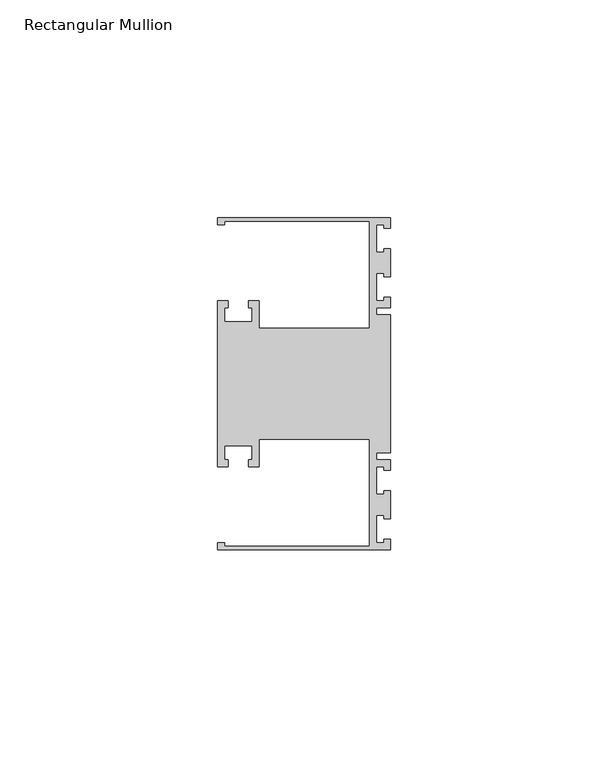
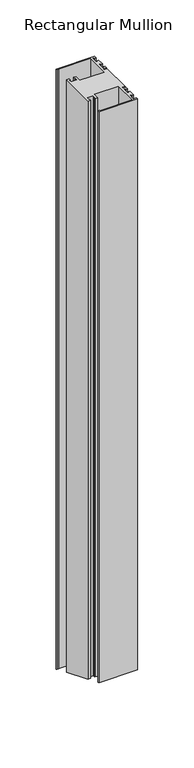
"""IFC4 building model written with IfcOpenShell, lengths in millimetres: member geometry, Rectangular Mullion."""

from ifc_helpers import new_model, si_unit, origin, place, context, project, spatial, faceted_brep, source, transform, mapped, element, save


def rectangular_mullion_c61b5c0a(model_context):
    return source(origin(), model_context, "Body", "Brep", [
        faceted_brep([(0.0, -38.1, 0.0), (0.0, -35.71875, 0.0), (-1.4999946, -35.71875, 0.0), (-1.4999946, -36.5125, 0.0), (-3.175, -36.5125, 0.0), (-3.175, -30.1625, 0.0), (-1.4999946, -30.1625, 0.0), (-1.4999946, -30.95625, 0.0), (0.0, -30.95625, 0.0), (0.0, -24.60625, 0.0), (-1.4999946, -24.60625, 0.0), (-1.4999946, -25.4, 0.0), (-3.175, -25.4, 0.0), (-3.175, -19.05, 0.0), (-1.4999946, -19.05, 0.0), (-1.4999946, -19.84375, 0.0), (0.0, -19.84375, 0.0), (0.0, -17.4625, 0.0), (-3.175, -17.4625, 0.0), (-3.175, -15.875, 0.0), (0.0, -15.875, 0.0), (0.0, 15.875, 0.0), (-3.175, 15.875, 0.0), (-3.175, 17.4625, 0.0), (0.0, 17.4625, 0.0), (0.0, 19.84375, 0.0), (-1.4999946, 19.84375, 0.0), (-1.4999946, 19.05, 0.0), (-3.175, 19.05, 0.0), (-3.175, 25.4, 0.0), (-1.4999946, 25.4, 0.0), (-1.4999946, 24.60625, 0.0), (0.0, 24.60625, 0.0), (0.0, 30.95625, 0.0), (-1.4999946, 30.95625, 0.0), (-1.4999946, 30.1625, 0.0), (-3.175, 30.1625, 0.0), (-3.175, 36.5125, 0.0), (-1.4999946, 36.5125, 0.0), (-1.4999946, 35.71875, 0.0), (0.0, 35.71875, 0.0), (0.0, 38.1, 0.0), (-39.6875, 38.1, 0.0), (-39.6875, 36.5125, 0.0), (-38.1, 36.5125, 0.0), (-38.1, 37.30625, 0.0), (-4.7625, 37.30625, 0.0), (-4.7625, 12.7, 0.0), (-30.1625, 12.7, 0.0), (-30.1625, 19.05, 0.0), (-32.54375, 19.05, 0.0), (-32.54375, 17.4625, 0.0), (-31.75, 17.4625, 0.0), (-31.75, 14.2875, 0.0), (-38.1, 14.2875, 0.0), (-38.1, 17.4625, 0.0), (-37.30625, 17.4625, 0.0), (-37.30625, 19.05, 0.0), (-39.6875, 19.05, 0.0), (-39.6875, -19.05, 0.0), (-37.30625, -19.05, 0.0), (-37.30625, -17.4625, 0.0), (-38.1, -17.4625, 0.0), (-38.1, -14.2875, 0.0), (-31.75, -14.2875, 0.0), (-31.75, -17.4625, 0.0), (-32.54375, -17.4625, 0.0), (-32.54375, -19.05, 0.0), (-30.1625, -19.05, 0.0), (-30.1625, -12.7, 0.0), (-4.7625, -12.7, 0.0), (-4.7625, -37.30625, 0.0), (-38.1, -37.30625, 0.0), (-38.1, -36.5125, 0.0), (-39.6875, -36.5125, 0.0), (-39.6875, -38.1, 0.0), (0.0, -38.1, -619.2184633), (0.0, -35.71875, -620.2048093), (-1.4999946, -35.71875, -620.2048093), (-1.4999946, -36.5125, -619.8760273), (-3.175, -36.5125, -619.8760273), (-3.175, -30.1625, -622.5062834), (-1.4999946, -30.1625, -622.5062834), (-1.4999946, -30.95625, -622.1775014), (0.0, -30.95625, -622.1775014), (0.0, -24.60625, -624.8077575), (-1.4999946, -24.60625, -624.8077575), (-1.4999946, -25.4, -624.4789755), (-3.175, -25.4, -624.4789755), (-3.175, -19.05, -627.1092316), (-1.4999946, -19.05, -627.1092316), (-1.4999946, -19.84375, -626.7804496), (0.0, -19.84375, -626.7804496), (0.0, -17.4625, -627.7667957), (-3.175, -17.4625, -627.7667957), (-3.175, -15.875, -628.4243597), (0.0, -15.875, -628.4243597), (0.0, 15.875, -641.5756403), (-3.175, 15.875, -641.5756403), (-3.175, 17.4625, -642.2332043), (0.0, 17.4625, -642.2332043), (0.0, 19.84375, -643.2195504), (-1.4999946, 19.84375, -643.2195504), (-1.4999946, 19.05, -642.8907684), (-3.175, 19.05, -642.8907684), (-3.175, 25.4, -645.5210245), (-1.4999946, 25.4, -645.5210245), (-1.4999946, 24.60625, -645.1922425), (0.0, 24.60625, -645.1922425), (0.0, 30.95625, -647.8224986), (-1.4999946, 30.95625, -647.8224986), (-1.4999946, 30.1625, -647.4937166), (-3.175, 30.1625, -647.4937166), (-3.175, 36.5125, -650.1239727), (-1.4999946, 36.5125, -650.1239727), (-1.4999946, 35.71875, -649.7951907), (0.0, 35.71875, -649.7951907), (0.0, 38.1, -650.7815367), (-39.6875, 38.1, -650.7815367), (-39.6875, 36.5125, -650.1239727), (-38.1, 36.5125, -650.1239727), (-38.1, 37.30625, -650.4527547), (-4.7625, 37.30625, -650.4527547), (-4.7625, 12.7, -640.2605122), (-30.1625, 12.7, -640.2605122), (-30.1625, 19.05, -642.8907684), (-32.54375, 19.05, -642.8907684), (-32.54375, 17.4625, -642.2332043), (-31.75, 17.4625, -642.2332043), (-31.75, 14.2875, -640.9180763), (-38.1, 14.2875, -640.9180763), (-38.1, 17.4625, -642.2332043), (-37.30625, 17.4625, -642.2332043), (-37.30625, 19.05, -642.8907684), (-39.6875, 19.05, -642.8907684), (-39.6875, -19.05, -627.1092316), (-37.30625, -19.05, -627.1092316), (-37.30625, -17.4625, -627.7667957), (-38.1, -17.4625, -627.7667957), (-38.1, -14.2875, -629.0819237), (-31.75, -14.2875, -629.0819237), (-31.75, -17.4625, -627.7667957), (-32.54375, -17.4625, -627.7667957), (-32.54375, -19.05, -627.1092316), (-30.1625, -19.05, -627.1092316), (-30.1625, -12.7, -629.7394878), (-4.7625, -12.7, -629.7394878), (-4.7625, -37.30625, -619.5472453), (-38.1, -37.30625, -619.5472453), (-38.1, -36.5125, -619.8760273), (-39.6875, -36.5125, -619.8760273), (-39.6875, -38.1, -619.2184633)], [[[0, 1, 2, 3, 4, 5, 6, 7, 8, 9, 10, 11, 12, 13, 14, 15, 16, 17, 18, 19, 20, 21, 22, 23, 24, 25, 26, 27, 28, 29, 30, 31, 32, 33, 34, 35, 36, 37, 38, 39, 40, 41, 42, 43, 44, 45, 46, 47, 48, 49, 50, 51, 52, 53, 54, 55, 56, 57, 58, 59, 60, 61, 62, 63, 64, 65, 66, 67, 68, 69, 70, 71, 72, 73, 74, 75]], [[1, 0, 76, 77]], [[2, 1, 77, 78]], [[3, 2, 78, 79]], [[4, 3, 79, 80]], [[5, 4, 80, 81]], [[6, 5, 81, 82]], [[7, 6, 82, 83]], [[8, 7, 83, 84]], [[9, 8, 84, 85]], [[10, 9, 85, 86]], [[11, 10, 86, 87]], [[12, 11, 87, 88]], [[13, 12, 88, 89]], [[14, 13, 89, 90]], [[15, 14, 90, 91]], [[16, 15, 91, 92]], [[17, 16, 92, 93]], [[18, 17, 93, 94]], [[19, 18, 94, 95]], [[20, 19, 95, 96]], [[21, 20, 96, 97]], [[22, 21, 97, 98]], [[23, 22, 98, 99]], [[24, 23, 99, 100]], [[25, 24, 100, 101]], [[26, 25, 101, 102]], [[27, 26, 102, 103]], [[28, 27, 103, 104]], [[29, 28, 104, 105]], [[30, 29, 105, 106]], [[31, 30, 106, 107]], [[32, 31, 107, 108]], [[33, 32, 108, 109]], [[34, 33, 109, 110]], [[35, 34, 110, 111]], [[36, 35, 111, 112]], [[37, 36, 112, 113]], [[38, 37, 113, 114]], [[39, 38, 114, 115]], [[40, 39, 115, 116]], [[41, 40, 116, 117]], [[42, 41, 117, 118]], [[43, 42, 118, 119]], [[44, 43, 119, 120]], [[45, 44, 120, 121]], [[46, 45, 121, 122]], [[47, 46, 122, 123]], [[48, 47, 123, 124]], [[49, 48, 124, 125]], [[50, 49, 125, 126]], [[51, 50, 126, 127]], [[52, 51, 127, 128]], [[53, 52, 128, 129]], [[54, 53, 129, 130]], [[55, 54, 130, 131]], [[56, 55, 131, 132]], [[57, 56, 132, 133]], [[58, 57, 133, 134]], [[59, 58, 134, 135]], [[60, 59, 135, 136]], [[61, 60, 136, 137]], [[62, 61, 137, 138]], [[63, 62, 138, 139]], [[64, 63, 139, 140]], [[65, 64, 140, 141]], [[66, 65, 141, 142]], [[67, 66, 142, 143]], [[68, 67, 143, 144]], [[69, 68, 144, 145]], [[70, 69, 145, 146]], [[71, 70, 146, 147]], [[72, 71, 147, 148]], [[73, 72, 148, 149]], [[74, 73, 149, 150]], [[75, 74, 150, 151]], [[0, 75, 151, 76]], [[76, 151, 150, 149, 148, 147, 146, 145, 144, 143, 142, 141, 140, 139, 138, 137, 136, 135, 134, 133, 132, 131, 130, 129, 128, 127, 126, 125, 124, 123, 122, 121, 120, 119, 118, 117, 116, 115, 114, 113, 112, 111, 110, 109, 108, 107, 106, 105, 104, 103, 102, 101, 100, 99, 98, 97, 96, 95, 94, 93, 92, 91, 90, 89, 88, 87, 86, 85, 84, 83, 82, 81, 80, 79, 78, 77]]]),
    ])


if __name__ == "__main__":
    model = new_model("IFC4")
    model_context = context("Model", 3, world=origin())
    ifc_project = project(units=[si_unit("LENGTHUNIT", "METRE", prefix="MILLI")], contexts=[model_context])
    site = spatial("IfcSite", under=ifc_project)
    building = spatial("IfcBuilding", under=site)
    placement = place(None, origin())
    rectangular_mullion_shape = rectangular_mullion_c61b5c0a(model_context)
    element("IfcMember", 1, ObjectType="Rectangular Mullion", at=placement, inside=building, context=model_context, shape_type="MappedRepresentation", body=[
        mapped(rectangular_mullion_shape, transform((0.0, 0.0, 0.0), x_axis=(1.0, 0.0, 0.0), y_axis=(0.0, 1.0, 0.0), z_axis=(0.0, 0.0, 1.0))),
    ])
    save(model, "model.ifc")
